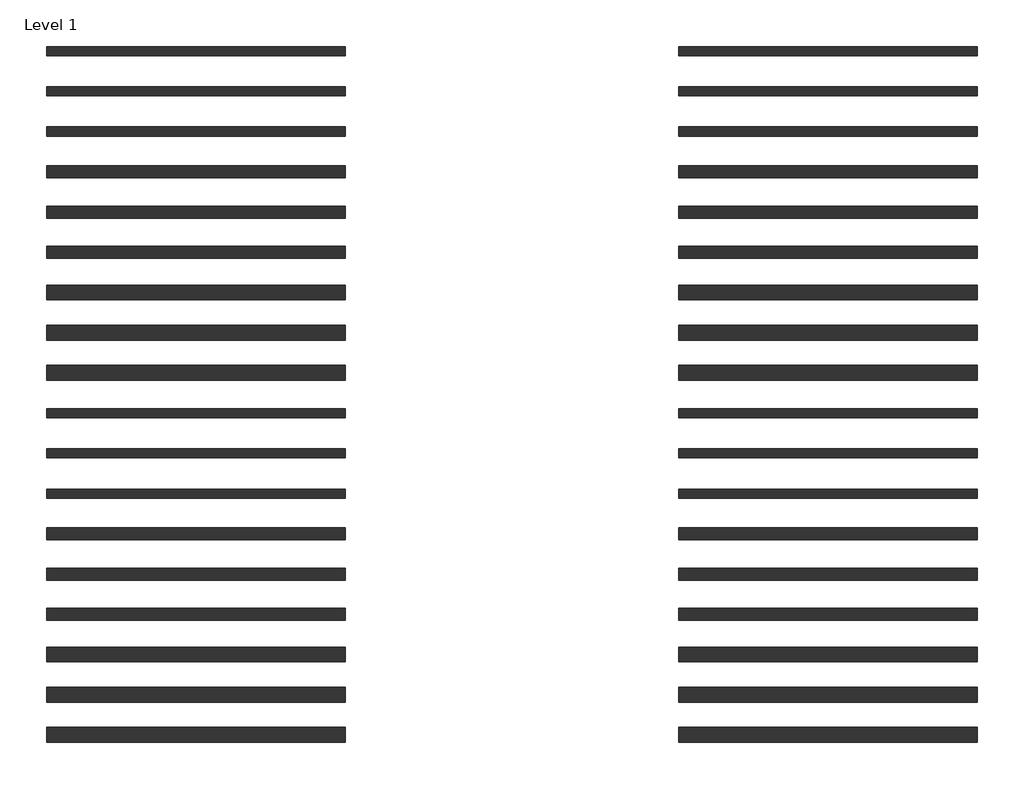
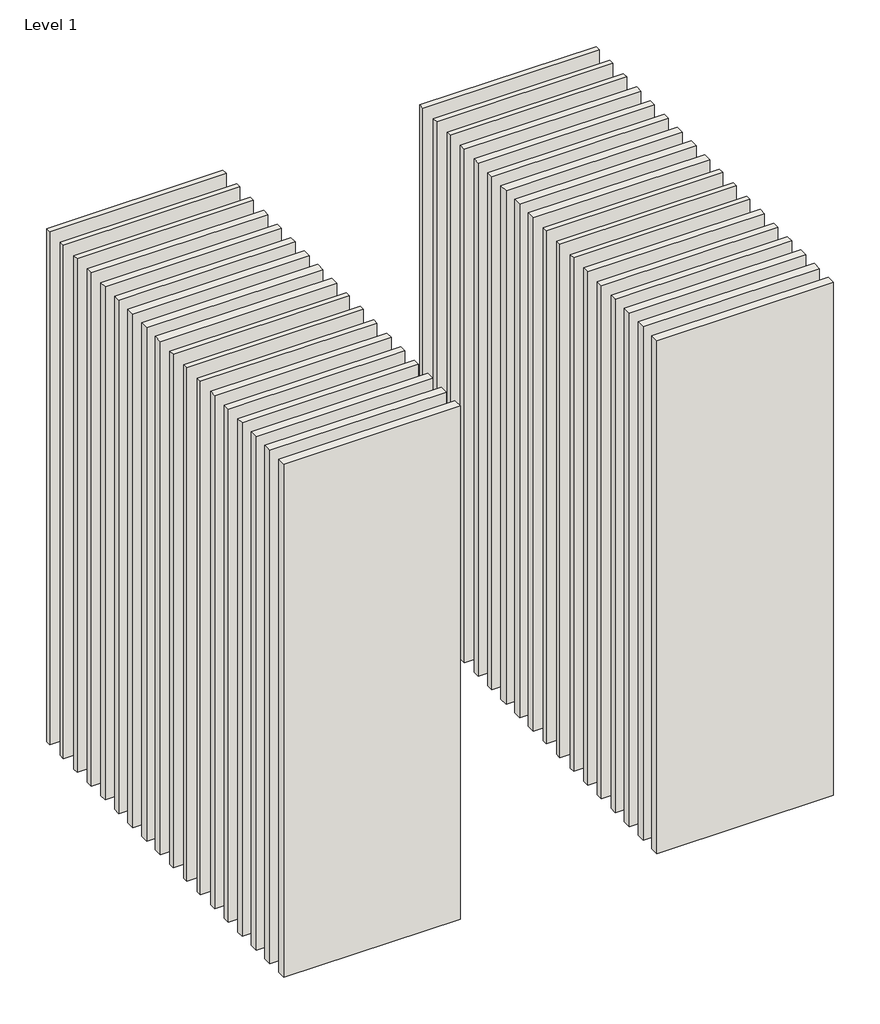
# One storey: 36 walls.
"""IFC4 building model written with IfcOpenShell, lengths in millimetres."""

from ifc_helpers import new_model, si_unit, origin, origin_with_axes, place, context, project, spatial, polyline, outline, extrude, element, save

model = new_model("IFC4")

# Units and contexts
model_context = context("Model", 3, world=origin())
ifc_project = project(units=[si_unit("LENGTHUNIT", "METRE", prefix="MILLI")], contexts=[model_context])

# Site, building, storey
site = spatial("IfcSite", under=ifc_project)
building = spatial("IfcBuilding", under=site)
storey = spatial("IfcBuildingStorey", under=building, Name="Level 1", Elevation=0.0)

# Walls
placement = place(None, origin())
element("IfcWall", 1, at=placement, inside=storey, context=model_context, shape_type="SweptSolid", body=[
    extrude(outline(polyline([(-16904.1464237, 3697.5198817), (-19504.1464237, 3697.5198817), (-19504.1464237, 3777.5198817), (-16904.1464237, 3777.5198817), (-16904.1464237, 3697.5198817)])), origin_with_axes(), (0.0, 0.0, 1.0), 8000.0),
])
element("IfcWall", 2, at=placement, inside=storey, context=model_context, shape_type="SweptSolid", body=[
    extrude(outline(polyline([(-16904.1464237, 3347.5198817), (-19504.1464237, 3347.5198817), (-19504.1464237, 3427.5198817), (-16904.1464237, 3427.5198817), (-16904.1464237, 3347.5198817)])), origin_with_axes(), (0.0, 0.0, 1.0), 8000.0),
])
element("IfcWall", 3, at=placement, inside=storey, context=model_context, shape_type="SweptSolid", body=[
    extrude(outline(polyline([(-16904.1464237, 2997.5198817), (-19504.1464237, 2997.5198817), (-19504.1464237, 3077.5198817), (-16904.1464237, 3077.5198817), (-16904.1464237, 2997.5198817)])), origin_with_axes(), (0.0, 0.0, 1.0), 8000.0),
])
element("IfcWall", 4, at=placement, inside=storey, context=model_context, shape_type="SweptSolid", body=[
    extrude(outline(polyline([(-16904.1464237, 2635.0198817), (-19504.1464237, 2635.0198817), (-19504.1464237, 2740.0198817), (-16904.1464237, 2740.0198817), (-16904.1464237, 2635.0198817)])), origin_with_axes(), (0.0, 0.0, 1.0), 8000.0),
])
element("IfcWall", 5, at=placement, inside=storey, context=model_context, shape_type="SweptSolid", body=[
    extrude(outline(polyline([(-16904.1464237, 2285.0198817), (-19504.1464237, 2285.0198817), (-19504.1464237, 2390.0198817), (-16904.1464237, 2390.0198817), (-16904.1464237, 2285.0198817)])), origin_with_axes(), (0.0, 0.0, 1.0), 8000.0),
])
element("IfcWall", 6, at=placement, inside=storey, context=model_context, shape_type="SweptSolid", body=[
    extrude(outline(polyline([(-16904.1464237, 1935.0198817), (-19504.1464237, 1935.0198817), (-19504.1464237, 2040.0198817), (-16904.1464237, 2040.0198817), (-16904.1464237, 1935.0198817)])), origin_with_axes(), (0.0, 0.0, 1.0), 8000.0),
])
element("IfcWall", 7, at=placement, inside=storey, context=model_context, shape_type="SweptSolid", body=[
    extrude(outline(polyline([(-16904.1464237, 1572.5198817), (-19504.1464237, 1572.5198817), (-19504.1464237, 1702.5198817), (-16904.1464237, 1702.5198817), (-16904.1464237, 1572.5198817)])), origin_with_axes(), (0.0, 0.0, 1.0), 8000.0),
])
element("IfcWall", 8, at=placement, inside=storey, context=model_context, shape_type="SweptSolid", body=[
    extrude(outline(polyline([(-16904.1464237, 1222.5198817), (-19504.1464237, 1222.5198817), (-19504.1464237, 1352.5198817), (-16904.1464237, 1352.5198817), (-16904.1464237, 1222.5198817)])), origin_with_axes(), (0.0, 0.0, 1.0), 8000.0),
])
element("IfcWall", 9, at=placement, inside=storey, context=model_context, shape_type="SweptSolid", body=[
    extrude(outline(polyline([(-16904.1464237, 872.5198817), (-19504.1464237, 872.5198817), (-19504.1464237, 1002.5198817), (-16904.1464237, 1002.5198817), (-16904.1464237, 872.5198817)])), origin_with_axes(), (0.0, 0.0, 1.0), 8000.0),
])
element("IfcWall", 10, at=placement, inside=storey, context=model_context, shape_type="SweptSolid", body=[
    extrude(outline(polyline([(-16904.1464237, 547.5198817), (-19504.1464237, 547.5198817), (-19504.1464237, 627.5198817), (-16904.1464237, 627.5198817), (-16904.1464237, 547.5198817)])), origin_with_axes(), (0.0, 0.0, 1.0), 8000.0),
])
element("IfcWall", 11, at=placement, inside=storey, context=model_context, shape_type="SweptSolid", body=[
    extrude(outline(polyline([(-16904.1464237, 197.5198817), (-19504.1464237, 197.5198817), (-19504.1464237, 277.5198817), (-16904.1464237, 277.5198817), (-16904.1464237, 197.5198817)])), origin_with_axes(), (0.0, 0.0, 1.0), 8000.0),
])
element("IfcWall", 12, at=placement, inside=storey, context=model_context, shape_type="SweptSolid", body=[
    extrude(outline(polyline([(-16904.1464237, -152.4801183), (-19504.1464237, -152.4801183), (-19504.1464237, -72.4801183), (-16904.1464237, -72.4801183), (-16904.1464237, -152.4801183)])), origin_with_axes(), (0.0, 0.0, 1.0), 8000.0),
])
element("IfcWall", 13, at=placement, inside=storey, context=model_context, shape_type="SweptSolid", body=[
    extrude(outline(polyline([(-16904.1464237, -514.9801183), (-19504.1464237, -514.9801183), (-19504.1464237, -409.9801183), (-16904.1464237, -409.9801183), (-16904.1464237, -514.9801183)])), origin_with_axes(), (0.0, 0.0, 1.0), 8000.0),
])
element("IfcWall", 14, at=placement, inside=storey, context=model_context, shape_type="SweptSolid", body=[
    extrude(outline(polyline([(-16904.1464237, -864.9801183), (-19504.1464237, -864.9801183), (-19504.1464237, -759.9801183), (-16904.1464237, -759.9801183), (-16904.1464237, -864.9801183)])), origin_with_axes(), (0.0, 0.0, 1.0), 8000.0),
])
element("IfcWall", 15, at=placement, inside=storey, context=model_context, shape_type="SweptSolid", body=[
    extrude(outline(polyline([(-16904.1464237, -1214.9801183), (-19504.1464237, -1214.9801183), (-19504.1464237, -1109.9801183), (-16904.1464237, -1109.9801183), (-16904.1464237, -1214.9801183)])), origin_with_axes(), (0.0, 0.0, 1.0), 8000.0),
])
element("IfcWall", 16, at=placement, inside=storey, context=model_context, shape_type="SweptSolid", body=[
    extrude(outline(polyline([(-16904.1464237, -1577.4801183), (-19504.1464237, -1577.4801183), (-19504.1464237, -1447.4801183), (-16904.1464237, -1447.4801183), (-16904.1464237, -1577.4801183)])), origin_with_axes(), (0.0, 0.0, 1.0), 8000.0),
])
element("IfcWall", 17, at=placement, inside=storey, context=model_context, shape_type="SweptSolid", body=[
    extrude(outline(polyline([(-16904.1464237, -1927.4801183), (-19504.1464237, -1927.4801183), (-19504.1464237, -1797.4801183), (-16904.1464237, -1797.4801183), (-16904.1464237, -1927.4801183)])), origin_with_axes(), (0.0, 0.0, 1.0), 8000.0),
])
element("IfcWall", 18, at=placement, inside=storey, context=model_context, shape_type="SweptSolid", body=[
    extrude(outline(polyline([(-16904.1464237, -2277.4801183), (-19504.1464237, -2277.4801183), (-19504.1464237, -2147.4801183), (-16904.1464237, -2147.4801183), (-16904.1464237, -2277.4801183)])), origin_with_axes(), (0.0, 0.0, 1.0), 8000.0),
])
element("IfcWall", 19, at=placement, inside=storey, context=model_context, shape_type="SweptSolid", body=[
    extrude(outline(polyline([(-11404.1464237, 3697.5198817), (-14004.1464237, 3697.5198817), (-14004.1464237, 3777.5198817), (-11404.1464237, 3777.5198817), (-11404.1464237, 3697.5198817)])), origin_with_axes(), (0.0, 0.0, 1.0), 8000.0),
])
element("IfcWall", 20, at=placement, inside=storey, context=model_context, shape_type="SweptSolid", body=[
    extrude(outline(polyline([(-11404.1464237, 3347.5198817), (-14004.1464237, 3347.5198817), (-14004.1464237, 3427.5198817), (-11404.1464237, 3427.5198817), (-11404.1464237, 3347.5198817)])), origin_with_axes(), (0.0, 0.0, 1.0), 8000.0),
])
element("IfcWall", 21, at=placement, inside=storey, context=model_context, shape_type="SweptSolid", body=[
    extrude(outline(polyline([(-11404.1464237, 2997.5198817), (-14004.1464237, 2997.5198817), (-14004.1464237, 3077.5198817), (-11404.1464237, 3077.5198817), (-11404.1464237, 2997.5198817)])), origin_with_axes(), (0.0, 0.0, 1.0), 8000.0),
])
element("IfcWall", 22, at=placement, inside=storey, context=model_context, shape_type="SweptSolid", body=[
    extrude(outline(polyline([(-11404.1464237, 2635.0198817), (-14004.1464237, 2635.0198817), (-14004.1464237, 2740.0198817), (-11404.1464237, 2740.0198817), (-11404.1464237, 2635.0198817)])), origin_with_axes(), (0.0, 0.0, 1.0), 8000.0),
])
element("IfcWall", 23, at=placement, inside=storey, context=model_context, shape_type="SweptSolid", body=[
    extrude(outline(polyline([(-11404.1464237, 2285.0198817), (-14004.1464237, 2285.0198817), (-14004.1464237, 2390.0198817), (-11404.1464237, 2390.0198817), (-11404.1464237, 2285.0198817)])), origin_with_axes(), (0.0, 0.0, 1.0), 8000.0),
])
element("IfcWall", 24, at=placement, inside=storey, context=model_context, shape_type="SweptSolid", body=[
    extrude(outline(polyline([(-11404.1464237, 1935.0198817), (-14004.1464237, 1935.0198817), (-14004.1464237, 2040.0198817), (-11404.1464237, 2040.0198817), (-11404.1464237, 1935.0198817)])), origin_with_axes(), (0.0, 0.0, 1.0), 8000.0),
])
element("IfcWall", 25, at=placement, inside=storey, context=model_context, shape_type="SweptSolid", body=[
    extrude(outline(polyline([(-11404.1464237, 1572.5198817), (-14004.1464237, 1572.5198817), (-14004.1464237, 1702.5198817), (-11404.1464237, 1702.5198817), (-11404.1464237, 1572.5198817)])), origin_with_axes(), (0.0, 0.0, 1.0), 8000.0),
])
element("IfcWall", 26, at=placement, inside=storey, context=model_context, shape_type="SweptSolid", body=[
    extrude(outline(polyline([(-11404.1464237, 1222.5198817), (-14004.1464237, 1222.5198817), (-14004.1464237, 1352.5198817), (-11404.1464237, 1352.5198817), (-11404.1464237, 1222.5198817)])), origin_with_axes(), (0.0, 0.0, 1.0), 8000.0),
])
element("IfcWall", 27, at=placement, inside=storey, context=model_context, shape_type="SweptSolid", body=[
    extrude(outline(polyline([(-11404.1464237, 872.5198817), (-14004.1464237, 872.5198817), (-14004.1464237, 1002.5198817), (-11404.1464237, 1002.5198817), (-11404.1464237, 872.5198817)])), origin_with_axes(), (0.0, 0.0, 1.0), 8000.0),
])
element("IfcWall", 28, at=placement, inside=storey, context=model_context, shape_type="SweptSolid", body=[
    extrude(outline(polyline([(-11404.1464237, 547.5198817), (-14004.1464237, 547.5198817), (-14004.1464237, 627.5198817), (-11404.1464237, 627.5198817), (-11404.1464237, 547.5198817)])), origin_with_axes(), (0.0, 0.0, 1.0), 8000.0),
])
element("IfcWall", 29, at=placement, inside=storey, context=model_context, shape_type="SweptSolid", body=[
    extrude(outline(polyline([(-11404.1464237, 197.5198817), (-14004.1464237, 197.5198817), (-14004.1464237, 277.5198817), (-11404.1464237, 277.5198817), (-11404.1464237, 197.5198817)])), origin_with_axes(), (0.0, 0.0, 1.0), 8000.0),
])
element("IfcWall", 30, at=placement, inside=storey, context=model_context, shape_type="SweptSolid", body=[
    extrude(outline(polyline([(-11404.1464237, -152.4801183), (-14004.1464237, -152.4801183), (-14004.1464237, -72.4801183), (-11404.1464237, -72.4801183), (-11404.1464237, -152.4801183)])), origin_with_axes(), (0.0, 0.0, 1.0), 8000.0),
])
element("IfcWall", 31, at=placement, inside=storey, context=model_context, shape_type="SweptSolid", body=[
    extrude(outline(polyline([(-11404.1464237, -514.9801183), (-14004.1464237, -514.9801183), (-14004.1464237, -409.9801183), (-11404.1464237, -409.9801183), (-11404.1464237, -514.9801183)])), origin_with_axes(), (0.0, 0.0, 1.0), 8000.0),
])
element("IfcWall", 32, at=placement, inside=storey, context=model_context, shape_type="SweptSolid", body=[
    extrude(outline(polyline([(-11404.1464237, -864.9801183), (-14004.1464237, -864.9801183), (-14004.1464237, -759.9801183), (-11404.1464237, -759.9801183), (-11404.1464237, -864.9801183)])), origin_with_axes(), (0.0, 0.0, 1.0), 8000.0),
])
element("IfcWall", 33, at=placement, inside=storey, context=model_context, shape_type="SweptSolid", body=[
    extrude(outline(polyline([(-11404.1464237, -1214.9801183), (-14004.1464237, -1214.9801183), (-14004.1464237, -1109.9801183), (-11404.1464237, -1109.9801183), (-11404.1464237, -1214.9801183)])), origin_with_axes(), (0.0, 0.0, 1.0), 8000.0),
])
element("IfcWall", 34, at=placement, inside=storey, context=model_context, shape_type="SweptSolid", body=[
    extrude(outline(polyline([(-11404.1464237, -1577.4801183), (-14004.1464237, -1577.4801183), (-14004.1464237, -1447.4801183), (-11404.1464237, -1447.4801183), (-11404.1464237, -1577.4801183)])), origin_with_axes(), (0.0, 0.0, 1.0), 8000.0),
])
element("IfcWall", 35, at=placement, inside=storey, context=model_context, shape_type="SweptSolid", body=[
    extrude(outline(polyline([(-11404.1464237, -1927.4801183), (-14004.1464237, -1927.4801183), (-14004.1464237, -1797.4801183), (-11404.1464237, -1797.4801183), (-11404.1464237, -1927.4801183)])), origin_with_axes(), (0.0, 0.0, 1.0), 8000.0),
])
element("IfcWall", 36, at=placement, inside=storey, context=model_context, shape_type="SweptSolid", body=[
    extrude(outline(polyline([(-11404.1464237, -2277.4801183), (-14004.1464237, -2277.4801183), (-14004.1464237, -2147.4801183), (-11404.1464237, -2147.4801183), (-11404.1464237, -2277.4801183)])), origin_with_axes(), (0.0, 0.0, 1.0), 8000.0),
])

save(model, "model.ifc")
